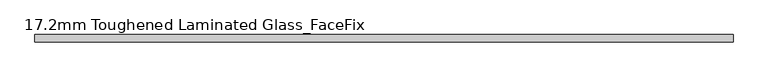
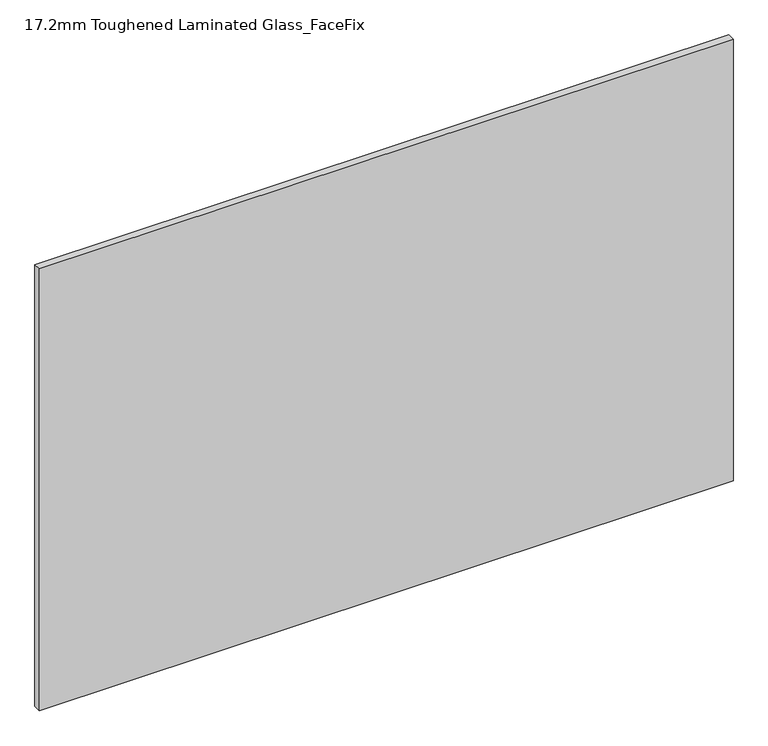
"""IFC4 building model written with IfcOpenShell, lengths in millimetres: plate geometry, 17.2mm Toughened Laminated Glass_FaceFix."""

from ifc_helpers import new_model, si_unit, origin, origin_with_axes, place, context, project, spatial, polyline, outline, extrude, source, transform, mapped, element, save


def plate_17_2mm_toughened_laminated_glass_facefix_34d5efe1(model_context):
    return source(origin(), model_context, "Body", "SweptSolid", [
        extrude(outline(polyline([(795.0000001, -23.4), (795.0000001, -40.6), (-795.0000001, -40.6), (-795.0000001, -23.4), (795.0000001, -23.4)])), origin_with_axes(), (0.0, 0.0, 1.0), 1070.0),
    ])


if __name__ == "__main__":
    model = new_model("IFC4")
    model_context = context("Model", 3, world=origin())
    ifc_project = project(units=[si_unit("LENGTHUNIT", "METRE", prefix="MILLI")], contexts=[model_context])
    site = spatial("IfcSite", under=ifc_project)
    building = spatial("IfcBuilding", under=site)
    placement = place(None, origin())
    plate_17_2mm_toughened_laminated_glass_facefix_shape = plate_17_2mm_toughened_laminated_glass_facefix_34d5efe1(model_context)
    element("IfcPlate", 1, ObjectType="17.2mm Toughened Laminated Glass_FaceFix", at=placement, inside=building, context=model_context, shape_type="MappedRepresentation", body=[
        mapped(plate_17_2mm_toughened_laminated_glass_facefix_shape, transform((0.0, 0.0, 0.0), x_axis=(1.0, 0.0, 0.0), y_axis=(0.0, 1.0, 0.0), z_axis=(0.0, 0.0, 1.0))),
    ])
    save(model, "model.ifc")
